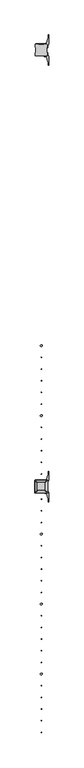
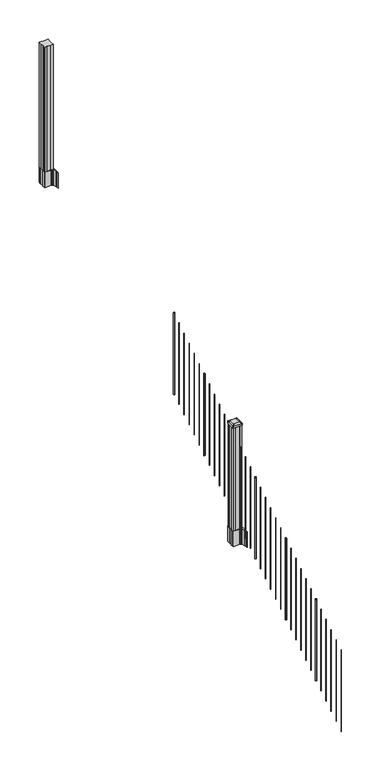
"""IFC4 building model written with IfcOpenShell, lengths in millimetres: railing geometry."""

from ifc_helpers import new_model, si_unit, point, frame, frame_2d, origin, place, context, project, spatial, polyline, circle_curve, trimmed, segment, composite_curve, outline, extrude, source, transform, mapped, element, save
from ifc_brep_helpers import plane_surface, extruded_surface, advanced_brep


def railing_0a5798a5(model_context):
    return source(origin(), model_context, "Body", "SolidModel", [
        extrude(outline(composite_curve([segment(trimmed(circle_curve(frame_2d((5940.4657728, -84632.7128453)), 6.35), [point((5934.1157728, -84632.7128453))], [point((5940.4657728, -84626.3628453))], False, "CARTESIAN"), True, "CONTINUOUS"), segment(trimmed(circle_curve(frame_2d((5940.4657728, -84632.7128453)), 6.35), [point((5940.4657728, -84626.3628453))], [point((5946.8157728, -84632.7128453))], False, "CARTESIAN"), True, "CONTINUOUS"), segment(trimmed(circle_curve(frame_2d((5940.4657728, -84632.7128453)), 6.35), [point((5946.8157728, -84632.7128453))], [point((5940.4657728, -84639.0628453))], False, "CARTESIAN"), True, "CONTINUOUS"), segment(trimmed(circle_curve(frame_2d((5940.4657728, -84632.7128453)), 6.35), [point((5940.4657728, -84639.0628453))], [point((5934.1157728, -84632.7128453))], False, "CARTESIAN"), True, "CONTINUOUS")], self_intersect=False)), frame((0.0, 0.0, 2058.1896281), z_axis=(0.0, 0.0, 1.0), x_axis=(1.0, 0.0, 0.0)), (0.0, 0.0, 1.0), 812.8041219),
        extrude(outline(composite_curve([segment(trimmed(circle_curve(frame_2d((5940.4657728, -84715.2628453)), 1.5875), [point((5938.8782728, -84715.2628453))], [point((5940.4657728, -84713.6753453))], False, "CARTESIAN"), True, "CONTINUOUS"), segment(trimmed(circle_curve(frame_2d((5940.4657728, -84715.2628453)), 1.5875), [point((5940.4657728, -84713.6753453))], [point((5942.0532728, -84715.2628453))], False, "CARTESIAN"), True, "CONTINUOUS"), segment(trimmed(circle_curve(frame_2d((5940.4657728, -84715.2628453)), 1.5875), [point((5942.0532728, -84715.2628453))], [point((5940.4657728, -84716.8503453))], False, "CARTESIAN"), True, "CONTINUOUS"), segment(trimmed(circle_curve(frame_2d((5940.4657728, -84715.2628453)), 1.5875), [point((5940.4657728, -84716.8503453))], [point((5938.8782728, -84715.2628453))], False, "CARTESIAN"), True, "CONTINUOUS")], self_intersect=False)), frame((0.0, 0.0, 2006.5958781), z_axis=(0.0, 0.0, 1.0), x_axis=(1.0, 0.0, 0.0)), (0.0, 0.0, 1.0), 812.8041219),
        extrude(outline(composite_curve([segment(trimmed(circle_curve(frame_2d((5940.4657728, -84797.8128453)), 1.5875), [point((5938.8782728, -84797.8128453))], [point((5940.4657728, -84796.2253453))], False, "CARTESIAN"), True, "CONTINUOUS"), segment(trimmed(circle_curve(frame_2d((5940.4657728, -84797.8128453)), 1.5875), [point((5940.4657728, -84796.2253453))], [point((5942.0532728, -84797.8128453))], False, "CARTESIAN"), True, "CONTINUOUS"), segment(trimmed(circle_curve(frame_2d((5940.4657728, -84797.8128453)), 1.5875), [point((5942.0532728, -84797.8128453))], [point((5940.4657728, -84799.4003453))], False, "CARTESIAN"), True, "CONTINUOUS"), segment(trimmed(circle_curve(frame_2d((5940.4657728, -84797.8128453)), 1.5875), [point((5940.4657728, -84799.4003453))], [point((5938.8782728, -84797.8128453))], False, "CARTESIAN"), True, "CONTINUOUS")], self_intersect=False)), frame((0.0, 0.0, 1955.0021281), z_axis=(0.0, 0.0, 1.0), x_axis=(1.0, 0.0, 0.0)), (0.0, 0.0, 1.0), 812.8041219),
        extrude(outline(composite_curve([segment(trimmed(circle_curve(frame_2d((5940.4657728, -84880.3628453)), 1.5875), [point((5938.8782728, -84880.3628453))], [point((5940.4657728, -84878.7753453))], False, "CARTESIAN"), True, "CONTINUOUS"), segment(trimmed(circle_curve(frame_2d((5940.4657728, -84880.3628453)), 1.5875), [point((5940.4657728, -84878.7753453))], [point((5942.0532728, -84880.3628453))], False, "CARTESIAN"), True, "CONTINUOUS"), segment(trimmed(circle_curve(frame_2d((5940.4657728, -84880.3628453)), 1.5875), [point((5942.0532728, -84880.3628453))], [point((5940.4657728, -84881.9503453))], False, "CARTESIAN"), True, "CONTINUOUS"), segment(trimmed(circle_curve(frame_2d((5940.4657728, -84880.3628453)), 1.5875), [point((5940.4657728, -84881.9503453))], [point((5938.8782728, -84880.3628453))], False, "CARTESIAN"), True, "CONTINUOUS")], self_intersect=False)), frame((0.0, 0.0, 1903.4083781), z_axis=(0.0, 0.0, 1.0), x_axis=(1.0, 0.0, 0.0)), (0.0, 0.0, 1.0), 812.8041219),
        extrude(outline(composite_curve([segment(trimmed(circle_curve(frame_2d((5940.4657728, -84962.9128453)), 1.5875), [point((5938.8782728, -84962.9128453))], [point((5940.4657728, -84961.3253453))], False, "CARTESIAN"), True, "CONTINUOUS"), segment(trimmed(circle_curve(frame_2d((5940.4657728, -84962.9128453)), 1.5875), [point((5940.4657728, -84961.3253453))], [point((5942.0532728, -84962.9128453))], False, "CARTESIAN"), True, "CONTINUOUS"), segment(trimmed(circle_curve(frame_2d((5940.4657728, -84962.9128453)), 1.5875), [point((5942.0532728, -84962.9128453))], [point((5940.4657728, -84964.5003453))], False, "CARTESIAN"), True, "CONTINUOUS"), segment(trimmed(circle_curve(frame_2d((5940.4657728, -84962.9128453)), 1.5875), [point((5940.4657728, -84964.5003453))], [point((5938.8782728, -84962.9128453))], False, "CARTESIAN"), True, "CONTINUOUS")], self_intersect=False)), frame((0.0, 0.0, 1851.8146281), z_axis=(0.0, 0.0, 1.0), x_axis=(1.0, 0.0, 0.0)), (0.0, 0.0, 1.0), 812.8041219),
        extrude(outline(composite_curve([segment(trimmed(circle_curve(frame_2d((5940.4657728, -85045.4628453)), 1.5875), [point((5938.8782728, -85045.4628453))], [point((5940.4657728, -85043.8753453))], False, "CARTESIAN"), True, "CONTINUOUS"), segment(trimmed(circle_curve(frame_2d((5940.4657728, -85045.4628453)), 1.5875), [point((5940.4657728, -85043.8753453))], [point((5942.0532728, -85045.4628453))], False, "CARTESIAN"), True, "CONTINUOUS"), segment(trimmed(circle_curve(frame_2d((5940.4657728, -85045.4628453)), 1.5875), [point((5942.0532728, -85045.4628453))], [point((5940.4657728, -85047.0503453))], False, "CARTESIAN"), True, "CONTINUOUS"), segment(trimmed(circle_curve(frame_2d((5940.4657728, -85045.4628453)), 1.5875), [point((5940.4657728, -85047.0503453))], [point((5938.8782728, -85045.4628453))], False, "CARTESIAN"), True, "CONTINUOUS")], self_intersect=False)), frame((0.0, 0.0, 1800.2208781), z_axis=(0.0, 0.0, 1.0), x_axis=(1.0, 0.0, 0.0)), (0.0, 0.0, 1.0), 812.8041219),
        extrude(outline(composite_curve([segment(trimmed(circle_curve(frame_2d((5940.4657728, -85128.0128453)), 6.35), [point((5934.1157728, -85128.0128453))], [point((5940.4657728, -85121.6628453))], False, "CARTESIAN"), True, "CONTINUOUS"), segment(trimmed(circle_curve(frame_2d((5940.4657728, -85128.0128453)), 6.35), [point((5940.4657728, -85121.6628453))], [point((5946.8157728, -85128.0128453))], False, "CARTESIAN"), True, "CONTINUOUS"), segment(trimmed(circle_curve(frame_2d((5940.4657728, -85128.0128453)), 6.35), [point((5946.8157728, -85128.0128453))], [point((5940.4657728, -85134.3628453))], False, "CARTESIAN"), True, "CONTINUOUS"), segment(trimmed(circle_curve(frame_2d((5940.4657728, -85128.0128453)), 6.35), [point((5940.4657728, -85134.3628453))], [point((5934.1157728, -85128.0128453))], False, "CARTESIAN"), True, "CONTINUOUS")], self_intersect=False)), frame((0.0, 0.0, 1748.6271281), z_axis=(0.0, 0.0, 1.0), x_axis=(1.0, 0.0, 0.0)), (0.0, 0.0, 1.0), 812.8041219),
        extrude(outline(composite_curve([segment(trimmed(circle_curve(frame_2d((5940.4657728, -85210.5628453)), 1.5875), [point((5938.8782728, -85210.5628453))], [point((5940.4657728, -85208.9753453))], False, "CARTESIAN"), True, "CONTINUOUS"), segment(trimmed(circle_curve(frame_2d((5940.4657728, -85210.5628453)), 1.5875), [point((5940.4657728, -85208.9753453))], [point((5942.0532728, -85210.5628453))], False, "CARTESIAN"), True, "CONTINUOUS"), segment(trimmed(circle_curve(frame_2d((5940.4657728, -85210.5628453)), 1.5875), [point((5942.0532728, -85210.5628453))], [point((5940.4657728, -85212.1503453))], False, "CARTESIAN"), True, "CONTINUOUS"), segment(trimmed(circle_curve(frame_2d((5940.4657728, -85210.5628453)), 1.5875), [point((5940.4657728, -85212.1503453))], [point((5938.8782728, -85210.5628453))], False, "CARTESIAN"), True, "CONTINUOUS")], self_intersect=False)), frame((0.0, 0.0, 1697.0333781), z_axis=(0.0, 0.0, 1.0), x_axis=(1.0, 0.0, 0.0)), (0.0, 0.0, 1.0), 812.8041219),
        extrude(outline(composite_curve([segment(trimmed(circle_curve(frame_2d((5940.4657728, -85293.1128453)), 1.5875), [point((5938.8782728, -85293.1128453))], [point((5940.4657728, -85291.5253453))], False, "CARTESIAN"), True, "CONTINUOUS"), segment(trimmed(circle_curve(frame_2d((5940.4657728, -85293.1128453)), 1.5875), [point((5940.4657728, -85291.5253453))], [point((5942.0532728, -85293.1128453))], False, "CARTESIAN"), True, "CONTINUOUS"), segment(trimmed(circle_curve(frame_2d((5940.4657728, -85293.1128453)), 1.5875), [point((5942.0532728, -85293.1128453))], [point((5940.4657728, -85294.7003453))], False, "CARTESIAN"), True, "CONTINUOUS"), segment(trimmed(circle_curve(frame_2d((5940.4657728, -85293.1128453)), 1.5875), [point((5940.4657728, -85294.7003453))], [point((5938.8782728, -85293.1128453))], False, "CARTESIAN"), True, "CONTINUOUS")], self_intersect=False)), frame((0.0, 0.0, 1645.4396281), z_axis=(0.0, 0.0, 1.0), x_axis=(1.0, 0.0, 0.0)), (0.0, 0.0, 1.0), 812.8041219),
        extrude(outline(composite_curve([segment(trimmed(circle_curve(frame_2d((5940.4657728, -85375.6628453)), 1.5875), [point((5938.8782728, -85375.6628453))], [point((5940.4657728, -85374.0753453))], False, "CARTESIAN"), True, "CONTINUOUS"), segment(trimmed(circle_curve(frame_2d((5940.4657728, -85375.6628453)), 1.5875), [point((5940.4657728, -85374.0753453))], [point((5942.0532728, -85375.6628453))], False, "CARTESIAN"), True, "CONTINUOUS"), segment(trimmed(circle_curve(frame_2d((5940.4657728, -85375.6628453)), 1.5875), [point((5942.0532728, -85375.6628453))], [point((5940.4657728, -85377.2503453))], False, "CARTESIAN"), True, "CONTINUOUS"), segment(trimmed(circle_curve(frame_2d((5940.4657728, -85375.6628453)), 1.5875), [point((5940.4657728, -85377.2503453))], [point((5938.8782728, -85375.6628453))], False, "CARTESIAN"), True, "CONTINUOUS")], self_intersect=False)), frame((0.0, 0.0, 1593.8458781), z_axis=(0.0, 0.0, 1.0), x_axis=(1.0, 0.0, 0.0)), (0.0, 0.0, 1.0), 812.8041219),
        extrude(outline(composite_curve([segment(trimmed(circle_curve(frame_2d((5940.4657728, -85458.2128453)), 1.5875), [point((5938.8782728, -85458.2128453))], [point((5940.4657728, -85456.6253453))], False, "CARTESIAN"), True, "CONTINUOUS"), segment(trimmed(circle_curve(frame_2d((5940.4657728, -85458.2128453)), 1.5875), [point((5940.4657728, -85456.6253453))], [point((5942.0532728, -85458.2128453))], False, "CARTESIAN"), True, "CONTINUOUS"), segment(trimmed(circle_curve(frame_2d((5940.4657728, -85458.2128453)), 1.5875), [point((5942.0532728, -85458.2128453))], [point((5940.4657728, -85459.8003453))], False, "CARTESIAN"), True, "CONTINUOUS"), segment(trimmed(circle_curve(frame_2d((5940.4657728, -85458.2128453)), 1.5875), [point((5940.4657728, -85459.8003453))], [point((5938.8782728, -85458.2128453))], False, "CARTESIAN"), True, "CONTINUOUS")], self_intersect=False)), frame((0.0, 0.0, 1542.2521281), z_axis=(0.0, 0.0, 1.0), x_axis=(1.0, 0.0, 0.0)), (0.0, 0.0, 1.0), 812.8041219),
        extrude(outline(composite_curve([segment(trimmed(circle_curve(frame_2d((5940.4657728, -85540.7628453)), 1.5875), [point((5938.8782728, -85540.7628453))], [point((5940.4657728, -85539.1753453))], False, "CARTESIAN"), True, "CONTINUOUS"), segment(trimmed(circle_curve(frame_2d((5940.4657728, -85540.7628453)), 1.5875), [point((5940.4657728, -85539.1753453))], [point((5942.0532728, -85540.7628453))], False, "CARTESIAN"), True, "CONTINUOUS"), segment(trimmed(circle_curve(frame_2d((5940.4657728, -85540.7628453)), 1.5875), [point((5942.0532728, -85540.7628453))], [point((5940.4657728, -85542.3503453))], False, "CARTESIAN"), True, "CONTINUOUS"), segment(trimmed(circle_curve(frame_2d((5940.4657728, -85540.7628453)), 1.5875), [point((5940.4657728, -85542.3503453))], [point((5938.8782728, -85540.7628453))], False, "CARTESIAN"), True, "CONTINUOUS")], self_intersect=False)), frame((0.0, 0.0, 1490.6583781), z_axis=(0.0, 0.0, 1.0), x_axis=(1.0, 0.0, 0.0)), (0.0, 0.0, 1.0), 812.8041219),
        extrude(outline(composite_curve([segment(polyline([(5897.7302728, -85647.0489401), (5897.7302728, -85612.2767504), (5896.1427728, -85611.5147504), (5896.1427728, -85588.7128224), (5899.5157498, -85585.3398453), (5960.9754206, -85585.3398453), (5960.9754206, -85584.4190953), (5966.2929645, -85584.4190953), (5966.2929645, -85582.9648406), (5971.3774942, -85582.9648406), (5971.3774942, -85581.6808168), (5973.0447665, -85581.6808168)]), True, "CONTINUOUS"), segment(trimmed(circle_curve(frame_2d((5973.0447665, -85574.6213569)), 7.0594599), [point((5973.0447665, -85581.6808168))], [point((5979.8120293, -85576.6313636))], True, "CARTESIAN"), True, "CONTINUOUS"), segment(polyline([(5979.8120293, -85576.6313636), (5987.6862236, -85550.1206345)]), True, "CONTINUOUS"), segment(trimmed(circle_curve(frame_2d((5932.9017103, -85533.8485848)), 57.15), [point((5987.6862236, -85550.1206345))], [point((5990.0517103, -85533.8485848))], True, "CARTESIAN"), True, "CONTINUOUS"), segment(polyline([(5990.0517103, -85533.8485848), (5990.0517103, -85521.8398453), (5993.0517103, -85521.8398453), (5993.0517103, -85586.9273453), (5984.7887728, -85598.2656366), (5984.7887728, -85611.5147504), (5983.2012728, -85612.2767504), (5983.2012728, -85647.0489401), (5984.7887728, -85647.8109401), (5984.7887728, -85661.060054), (5993.0517103, -85672.3983453), (5993.0517103, -85737.4858453), (5990.0517103, -85737.4858453), (5990.0517103, -85725.4771057)]), True, "CONTINUOUS"), segment(trimmed(circle_curve(frame_2d((5932.9017103, -85725.4771057)), 57.15), [point((5990.0517103, -85725.4771057))], [point((5987.6862236, -85709.2050561))], True, "CARTESIAN"), True, "CONTINUOUS"), segment(polyline([(5987.6862236, -85709.2050561), (5979.8120293, -85682.694327)]), True, "CONTINUOUS"), segment(trimmed(circle_curve(frame_2d((5973.0447665, -85684.7043337)), 7.0594599), [point((5979.8120293, -85682.694327))], [point((5973.0447665, -85677.6448738))], True, "CARTESIAN"), True, "CONTINUOUS"), segment(polyline([(5973.0447665, -85677.6448738), (5971.3774942, -85677.6448738), (5971.3774942, -85676.36085), (5966.2929645, -85676.36085), (5966.2929645, -85674.9065953), (5960.9754206, -85674.9065953), (5960.9754206, -85673.9858453), (5899.5157498, -85673.9858453), (5896.1427728, -85670.6128682), (5896.1427728, -85647.8109401), (5897.7302728, -85647.0489401)]), True, "CONTINUOUS")], self_intersect=False), holes=[polyline([(5981.7407728, -85589.9753453), (5980.1532728, -85588.3878453), (5943.2289902, -85588.3878453), (5900.7782728, -85588.3878453), (5899.1907728, -85589.9753453), (5899.1907728, -85669.3503453), (5900.7782728, -85670.9378453), (5943.2289902, -85670.9378453), (5980.1532728, -85670.9378453), (5981.7407728, -85669.3503453), (5981.7407728, -85589.9753453)])]), frame((0.0, 0.0, 1181.1), z_axis=(0.0, 0.0, 1.0), x_axis=(1.0, 0.0, 0.0)), (0.0, 0.0, 1.0), 152.4),
        advanced_brep(
        [(5966.2626478, -85658.6347203, 2393.439263), (5969.4376478, -85655.4597203, 2393.439263), (5969.4376478, -85603.8659703, 2393.439263), (5966.2626478, -85600.6909703, 2393.439263), (5914.6688978, -85600.6909703, 2393.439263), (5911.4938978, -85603.8659703, 2393.439263), (5911.4938978, -85655.4597203, 2393.439263), (5914.6688978, -85658.6347203, 2393.439263), (5982.5345228, -85674.9065953, 2382.136263), (5898.3970228, -85674.9065953, 2382.136263), (5895.2220228, -85671.7315953, 2382.136263), (5895.2220228, -85587.5940953, 2382.136263), (5898.3970228, -85584.4190953, 2382.136263), (5982.5345228, -85584.4190953, 2382.136263), (5985.7095228, -85587.5940953, 2382.136263), (5985.7095228, -85671.7315953, 2382.136263)],
        [
            (0, 1, circle_curve(frame((5966.2626478, -85655.4597203, 2393.439263), z_axis=(0.0, 0.0, 1.0), x_axis=(0.0, 1.0, 0.0)), 3.175)),
            (1, 2),
            (2, 3, circle_curve(frame((5966.2626478, -85603.8659703, 2393.439263), z_axis=(0.0, 0.0, 1.0), x_axis=(0.0, 1.0, 0.0)), 3.175)),
            (3, 4),
            (4, 5, circle_curve(frame((5914.6688978, -85603.8659703, 2393.439263), z_axis=(0.0, 0.0, 1.0), x_axis=(0.0, 1.0, 0.0)), 3.175)),
            (5, 6),
            (6, 7, circle_curve(frame((5914.6688978, -85655.4597203, 2393.439263), z_axis=(0.0, 0.0, 1.0), x_axis=(0.0, 1.0, 0.0)), 3.175)),
            (7, 0),
            (8, 9),
            (9, 10, circle_curve(frame((5898.3970228, -85671.7315953, 2382.136263), z_axis=(0.0, 0.0, -1.0), x_axis=(0.0, 1.0, 0.0)), 3.175)),
            (10, 11),
            (11, 12, circle_curve(frame((5898.3970228, -85587.5940953, 2382.136263), z_axis=(0.0, 0.0, -1.0), x_axis=(0.0, 1.0, 0.0)), 3.175)),
            (12, 13),
            (13, 14, circle_curve(frame((5982.5345228, -85587.5940953, 2382.136263), z_axis=(0.0, 0.0, -1.0), x_axis=(0.0, 1.0, 0.0)), 3.175)),
            (14, 15),
            (15, 8, circle_curve(frame((5982.5345228, -85671.7315953, 2382.136263), z_axis=(0.0, 0.0, -1.0), x_axis=(0.0, 1.0, 0.0)), 3.175)),
            (15, 1),
            (0, 8),
            (14, 2),
            (13, 3),
            (12, 4),
            (11, 5),
            (10, 6),
            (9, 7),
        ],
        [
            plane_surface(frame((5940.4657728, -85629.6628453, 2393.439263), z_axis=(0.0, 0.0, 1.0), x_axis=(1.0, 0.0, 0.0))),
            plane_surface(frame((5940.4657728, -85629.6628453, 2382.136263), z_axis=(0.0, 0.0, -1.0), x_axis=(1.0, 0.0, 0.0))),
            extruded_surface(trimmed(circle_curve(frame((5982.5345228, -85671.7315953, 2382.136263), z_axis=(0.0, 0.0, 1.0), x_axis=(0.0, 1.0, 0.0)), 3.175), [point((5982.5345228, -85674.9065953, 2382.136263))], [point((5985.7095228, -85671.7315953, 2382.136263))], True, "CARTESIAN"), (-16.271874999999454, 16.27187500000582, 11.303000000000338), 25.63797263886966),
            plane_surface(frame((5985.7095228, -85629.6628453, 2382.136263), z_axis=(0.5705009161540778, 0.0, 0.8212969649690408), x_axis=(0.0, 1.0, 0.0))),
            extruded_surface(trimmed(circle_curve(frame((5982.5345228, -85587.5940953, 2382.136263), z_axis=(0.0, 0.0, 1.0), x_axis=(0.0, 1.0, 0.0)), 3.175), [point((5985.7095228, -85587.5940953, 2382.136263))], [point((5982.5345228, -85584.4190953, 2382.136263))], True, "CARTESIAN"), (-16.271874999999454, -16.27187500000582, 11.303000000000338), 25.63797263886966),
            plane_surface(frame((5940.4657728, -85584.4190953, 2382.136263), z_axis=(0.0, 0.5705009161540291, 0.8212969649690747), x_axis=(-1.0, 0.0, 0.0))),
            extruded_surface(trimmed(circle_curve(frame((5898.3970228, -85587.5940953, 2382.136263), z_axis=(0.0, 0.0, 1.0), x_axis=(0.0, 1.0, 0.0)), 3.175), [point((5898.3970228, -85584.4190953, 2382.136263))], [point((5895.2220228, -85587.5940953, 2382.136263))], True, "CARTESIAN"), (16.271875000000364, -16.27187500000582, 11.303000000000338), 25.637972638870238),
            plane_surface(frame((5895.2220228, -85629.6628453, 2382.136263), z_axis=(-0.5705009161540142, 0.0, 0.8212969649690851), x_axis=(0.0, -1.0, 0.0))),
            extruded_surface(trimmed(circle_curve(frame((5898.3970228, -85671.7315953, 2382.136263), z_axis=(0.0, 0.0, 1.0), x_axis=(0.0, 1.0, 0.0)), 3.175), [point((5895.2220228, -85671.7315953, 2382.136263))], [point((5898.3970228, -85674.9065953, 2382.136263))], True, "CARTESIAN"), (16.271875000000364, 16.27187500000582, 11.303000000000338), 25.637972638870238),
            plane_surface(frame((5940.4657728, -85674.9065953, 2382.136263), z_axis=(0.0, -0.570500916154034, 0.8212969649690713), x_axis=(1.0, 0.0, 0.0))),
        ],
        [
            (0, [[1, 2, 3, 4, 5, 6, 7, 8]]),
            (1, [[9, 10, 11, 12, 13, 14, 15, 16]]),
            (2, [[-16, 17, -1, 18]]),
            (3, [[-15, 19, -2, -17]]),
            (4, [[-14, 20, -3, -19]]),
            (5, [[-13, 21, -4, -20]]),
            (6, [[-12, 22, -5, -21]]),
            (7, [[-11, 23, -6, -22]]),
            (8, [[-10, 24, -7, -23]]),
            (9, [[-9, -18, -8, -24]]),
        ],
    ),
        extrude(outline(composite_curve([segment(polyline([(5982.5345228, -85674.9065953), (5898.3970228, -85674.9065953)]), True, "CONTINUOUS"), segment(trimmed(circle_curve(frame_2d((5898.3970228, -85671.7315953)), 3.175), [point((5898.3970228, -85674.9065953))], [point((5895.2220228, -85671.7315953))], False, "CARTESIAN"), True, "CONTINUOUS"), segment(polyline([(5895.2220228, -85671.7315953), (5895.2220228, -85587.5940953)]), True, "CONTINUOUS"), segment(trimmed(circle_curve(frame_2d((5898.3970228, -85587.5940953)), 3.175), [point((5895.2220228, -85587.5940953))], [point((5898.3970228, -85584.4190953))], False, "CARTESIAN"), True, "CONTINUOUS"), segment(polyline([(5898.3970228, -85584.4190953), (5982.5345228, -85584.4190953)]), True, "CONTINUOUS"), segment(trimmed(circle_curve(frame_2d((5982.5345228, -85587.5940953)), 3.175), [point((5982.5345228, -85584.4190953))], [point((5985.7095228, -85587.5940953))], False, "CARTESIAN"), True, "CONTINUOUS"), segment(polyline([(5985.7095228, -85587.5940953), (5985.7095228, -85671.7315953)]), True, "CONTINUOUS"), segment(trimmed(circle_curve(frame_2d((5982.5345228, -85671.7315953)), 3.175), [point((5985.7095228, -85671.7315953))], [point((5982.5345228, -85674.9065953))], False, "CARTESIAN"), True, "CONTINUOUS")], self_intersect=False)), frame((0.0, 0.0, 2364.864263), z_axis=(0.0, 0.0, 1.0), x_axis=(1.0, 0.0, 0.0)), (0.0, 0.0, 1.0), 17.272),
        extrude(outline(polyline([(5980.1532728, -85670.9378453), (5960.5317728, -85670.9378453), (5959.7697728, -85669.3503453), (5921.1617728, -85669.3503453), (5920.3997728, -85670.9378453), (5900.7782728, -85670.9378453), (5899.1907728, -85669.3503453), (5899.1907728, -85649.7288453), (5900.7782728, -85648.9668453), (5900.7782728, -85610.3588453), (5899.1907728, -85609.5968453), (5899.1907728, -85589.9753453), (5900.7782728, -85588.3878453), (5920.3997728, -85588.3878453), (5921.1617728, -85589.9753453), (5959.7697728, -85589.9753453), (5960.5317728, -85588.3878453), (5980.1532728, -85588.3878453), (5981.7407728, -85589.9753453), (5981.7407728, -85609.5968453), (5980.1532728, -85610.3588453), (5980.1532728, -85648.9668453), (5981.7407728, -85649.7288453), (5981.7407728, -85669.3503453), (5980.1532728, -85670.9378453)])), frame((0.0, 0.0, 1333.5), z_axis=(0.0, 0.0, 1.0), x_axis=(1.0, 0.0, 0.0)), (0.0, 0.0, 1.0), 1031.364263),
        extrude(outline(composite_curve([segment(trimmed(circle_curve(frame_2d((5940.4657728, -85718.5628453)), 1.5875), [point((5938.8782728, -85718.5628453))], [point((5940.4657728, -85716.9753453))], False, "CARTESIAN"), True, "CONTINUOUS"), segment(trimmed(circle_curve(frame_2d((5940.4657728, -85718.5628453)), 1.5875), [point((5940.4657728, -85716.9753453))], [point((5942.0532728, -85718.5628453))], False, "CARTESIAN"), True, "CONTINUOUS"), segment(trimmed(circle_curve(frame_2d((5940.4657728, -85718.5628453)), 1.5875), [point((5942.0532728, -85718.5628453))], [point((5940.4657728, -85720.1503453))], False, "CARTESIAN"), True, "CONTINUOUS"), segment(trimmed(circle_curve(frame_2d((5940.4657728, -85718.5628453)), 1.5875), [point((5940.4657728, -85720.1503453))], [point((5938.8782728, -85718.5628453))], False, "CARTESIAN"), True, "CONTINUOUS")], self_intersect=False)), frame((0.0, 0.0, 1379.5333781), z_axis=(0.0, 0.0, 1.0), x_axis=(1.0, 0.0, 0.0)), (0.0, 0.0, 1.0), 812.8041219),
        extrude(outline(composite_curve([segment(trimmed(circle_curve(frame_2d((5940.4657728, -85801.1128453)), 1.5875), [point((5938.8782728, -85801.1128453))], [point((5940.4657728, -85799.5253453))], False, "CARTESIAN"), True, "CONTINUOUS"), segment(trimmed(circle_curve(frame_2d((5940.4657728, -85801.1128453)), 1.5875), [point((5940.4657728, -85799.5253453))], [point((5942.0532728, -85801.1128453))], False, "CARTESIAN"), True, "CONTINUOUS"), segment(trimmed(circle_curve(frame_2d((5940.4657728, -85801.1128453)), 1.5875), [point((5942.0532728, -85801.1128453))], [point((5940.4657728, -85802.7003453))], False, "CARTESIAN"), True, "CONTINUOUS"), segment(trimmed(circle_curve(frame_2d((5940.4657728, -85801.1128453)), 1.5875), [point((5940.4657728, -85802.7003453))], [point((5938.8782728, -85801.1128453))], False, "CARTESIAN"), True, "CONTINUOUS")], self_intersect=False)), frame((0.0, 0.0, 1327.9396281), z_axis=(0.0, 0.0, 1.0), x_axis=(1.0, 0.0, 0.0)), (0.0, 0.0, 1.0), 812.8041219),
        extrude(outline(composite_curve([segment(trimmed(circle_curve(frame_2d((5940.4657728, -85883.6628453)), 1.5875), [point((5938.8782728, -85883.6628453))], [point((5940.4657728, -85882.0753453))], False, "CARTESIAN"), True, "CONTINUOUS"), segment(trimmed(circle_curve(frame_2d((5940.4657728, -85883.6628453)), 1.5875), [point((5940.4657728, -85882.0753453))], [point((5942.0532728, -85883.6628453))], False, "CARTESIAN"), True, "CONTINUOUS"), segment(trimmed(circle_curve(frame_2d((5940.4657728, -85883.6628453)), 1.5875), [point((5942.0532728, -85883.6628453))], [point((5940.4657728, -85885.2503453))], False, "CARTESIAN"), True, "CONTINUOUS"), segment(trimmed(circle_curve(frame_2d((5940.4657728, -85883.6628453)), 1.5875), [point((5940.4657728, -85885.2503453))], [point((5938.8782728, -85883.6628453))], False, "CARTESIAN"), True, "CONTINUOUS")], self_intersect=False)), frame((0.0, 0.0, 1276.3458781), z_axis=(0.0, 0.0, 1.0), x_axis=(1.0, 0.0, 0.0)), (0.0, 0.0, 1.0), 812.8041219),
        extrude(outline(composite_curve([segment(trimmed(circle_curve(frame_2d((5940.4657728, -85966.2128453)), 6.35), [point((5934.1157728, -85966.2128453))], [point((5940.4657728, -85959.8628453))], False, "CARTESIAN"), True, "CONTINUOUS"), segment(trimmed(circle_curve(frame_2d((5940.4657728, -85966.2128453)), 6.35), [point((5940.4657728, -85959.8628453))], [point((5946.8157728, -85966.2128453))], False, "CARTESIAN"), True, "CONTINUOUS"), segment(trimmed(circle_curve(frame_2d((5940.4657728, -85966.2128453)), 6.35), [point((5946.8157728, -85966.2128453))], [point((5940.4657728, -85972.5628453))], False, "CARTESIAN"), True, "CONTINUOUS"), segment(trimmed(circle_curve(frame_2d((5940.4657728, -85966.2128453)), 6.35), [point((5940.4657728, -85972.5628453))], [point((5934.1157728, -85966.2128453))], False, "CARTESIAN"), True, "CONTINUOUS")], self_intersect=False)), frame((0.0, 0.0, 1224.7521281), z_axis=(0.0, 0.0, 1.0), x_axis=(1.0, 0.0, 0.0)), (0.0, 0.0, 1.0), 812.8041219),
        extrude(outline(composite_curve([segment(trimmed(circle_curve(frame_2d((5940.4657728, -86048.7628453)), 1.5875), [point((5938.8782728, -86048.7628453))], [point((5940.4657728, -86047.1753453))], False, "CARTESIAN"), True, "CONTINUOUS"), segment(trimmed(circle_curve(frame_2d((5940.4657728, -86048.7628453)), 1.5875), [point((5940.4657728, -86047.1753453))], [point((5942.0532728, -86048.7628453))], False, "CARTESIAN"), True, "CONTINUOUS"), segment(trimmed(circle_curve(frame_2d((5940.4657728, -86048.7628453)), 1.5875), [point((5942.0532728, -86048.7628453))], [point((5940.4657728, -86050.3503453))], False, "CARTESIAN"), True, "CONTINUOUS"), segment(trimmed(circle_curve(frame_2d((5940.4657728, -86048.7628453)), 1.5875), [point((5940.4657728, -86050.3503453))], [point((5938.8782728, -86048.7628453))], False, "CARTESIAN"), True, "CONTINUOUS")], self_intersect=False)), frame((0.0, 0.0, 1173.1583781), z_axis=(0.0, 0.0, 1.0), x_axis=(1.0, 0.0, 0.0)), (0.0, 0.0, 1.0), 812.8041219),
        extrude(outline(composite_curve([segment(trimmed(circle_curve(frame_2d((5940.4657728, -86131.3128453)), 1.5875), [point((5938.8782728, -86131.3128453))], [point((5940.4657728, -86129.7253453))], False, "CARTESIAN"), True, "CONTINUOUS"), segment(trimmed(circle_curve(frame_2d((5940.4657728, -86131.3128453)), 1.5875), [point((5940.4657728, -86129.7253453))], [point((5942.0532728, -86131.3128453))], False, "CARTESIAN"), True, "CONTINUOUS"), segment(trimmed(circle_curve(frame_2d((5940.4657728, -86131.3128453)), 1.5875), [point((5942.0532728, -86131.3128453))], [point((5940.4657728, -86132.9003453))], False, "CARTESIAN"), True, "CONTINUOUS"), segment(trimmed(circle_curve(frame_2d((5940.4657728, -86131.3128453)), 1.5875), [point((5940.4657728, -86132.9003453))], [point((5938.8782728, -86131.3128453))], False, "CARTESIAN"), True, "CONTINUOUS")], self_intersect=False)), frame((0.0, 0.0, 1121.5646281), z_axis=(0.0, 0.0, 1.0), x_axis=(1.0, 0.0, 0.0)), (0.0, 0.0, 1.0), 812.8041219),
        extrude(outline(composite_curve([segment(trimmed(circle_curve(frame_2d((5940.4657728, -86213.8628453)), 1.5875), [point((5938.8782728, -86213.8628453))], [point((5940.4657728, -86212.2753453))], False, "CARTESIAN"), True, "CONTINUOUS"), segment(trimmed(circle_curve(frame_2d((5940.4657728, -86213.8628453)), 1.5875), [point((5940.4657728, -86212.2753453))], [point((5942.0532728, -86213.8628453))], False, "CARTESIAN"), True, "CONTINUOUS"), segment(trimmed(circle_curve(frame_2d((5940.4657728, -86213.8628453)), 1.5875), [point((5942.0532728, -86213.8628453))], [point((5940.4657728, -86215.4503453))], False, "CARTESIAN"), True, "CONTINUOUS"), segment(trimmed(circle_curve(frame_2d((5940.4657728, -86213.8628453)), 1.5875), [point((5940.4657728, -86215.4503453))], [point((5938.8782728, -86213.8628453))], False, "CARTESIAN"), True, "CONTINUOUS")], self_intersect=False)), frame((0.0, 0.0, 1069.9708781), z_axis=(0.0, 0.0, 1.0), x_axis=(1.0, 0.0, 0.0)), (0.0, 0.0, 1.0), 812.8041219),
        extrude(outline(composite_curve([segment(trimmed(circle_curve(frame_2d((5940.4657728, -86296.4128453)), 1.5875), [point((5938.8782728, -86296.4128453))], [point((5940.4657728, -86294.8253453))], False, "CARTESIAN"), True, "CONTINUOUS"), segment(trimmed(circle_curve(frame_2d((5940.4657728, -86296.4128453)), 1.5875), [point((5940.4657728, -86294.8253453))], [point((5942.0532728, -86296.4128453))], False, "CARTESIAN"), True, "CONTINUOUS"), segment(trimmed(circle_curve(frame_2d((5940.4657728, -86296.4128453)), 1.5875), [point((5942.0532728, -86296.4128453))], [point((5940.4657728, -86298.0003453))], False, "CARTESIAN"), True, "CONTINUOUS"), segment(trimmed(circle_curve(frame_2d((5940.4657728, -86296.4128453)), 1.5875), [point((5940.4657728, -86298.0003453))], [point((5938.8782728, -86296.4128453))], False, "CARTESIAN"), True, "CONTINUOUS")], self_intersect=False)), frame((0.0, 0.0, 1018.3771281), z_axis=(0.0, 0.0, 1.0), x_axis=(1.0, 0.0, 0.0)), (0.0, 0.0, 1.0), 812.8041219),
        extrude(outline(composite_curve([segment(trimmed(circle_curve(frame_2d((5940.4657728, -86378.9628453)), 1.5875), [point((5938.8782728, -86378.9628453))], [point((5940.4657728, -86377.3753453))], False, "CARTESIAN"), True, "CONTINUOUS"), segment(trimmed(circle_curve(frame_2d((5940.4657728, -86378.9628453)), 1.5875), [point((5940.4657728, -86377.3753453))], [point((5942.0532728, -86378.9628453))], False, "CARTESIAN"), True, "CONTINUOUS"), segment(trimmed(circle_curve(frame_2d((5940.4657728, -86378.9628453)), 1.5875), [point((5942.0532728, -86378.9628453))], [point((5940.4657728, -86380.5503453))], False, "CARTESIAN"), True, "CONTINUOUS"), segment(trimmed(circle_curve(frame_2d((5940.4657728, -86378.9628453)), 1.5875), [point((5940.4657728, -86380.5503453))], [point((5938.8782728, -86378.9628453))], False, "CARTESIAN"), True, "CONTINUOUS")], self_intersect=False)), frame((0.0, 0.0, 966.7833781), z_axis=(0.0, 0.0, 1.0), x_axis=(1.0, 0.0, 0.0)), (0.0, 0.0, 1.0), 812.8041219),
        extrude(outline(composite_curve([segment(trimmed(circle_curve(frame_2d((5940.4657728, -86461.5128453)), 6.35), [point((5934.1157728, -86461.5128453))], [point((5940.4657728, -86455.1628453))], False, "CARTESIAN"), True, "CONTINUOUS"), segment(trimmed(circle_curve(frame_2d((5940.4657728, -86461.5128453)), 6.35), [point((5940.4657728, -86455.1628453))], [point((5946.8157728, -86461.5128453))], False, "CARTESIAN"), True, "CONTINUOUS"), segment(trimmed(circle_curve(frame_2d((5940.4657728, -86461.5128453)), 6.35), [point((5946.8157728, -86461.5128453))], [point((5940.4657728, -86467.8628453))], False, "CARTESIAN"), True, "CONTINUOUS"), segment(trimmed(circle_curve(frame_2d((5940.4657728, -86461.5128453)), 6.35), [point((5940.4657728, -86467.8628453))], [point((5934.1157728, -86461.5128453))], False, "CARTESIAN"), True, "CONTINUOUS")], self_intersect=False)), frame((0.0, 0.0, 915.1896281), z_axis=(0.0, 0.0, 1.0), x_axis=(1.0, 0.0, 0.0)), (0.0, 0.0, 1.0), 812.8041219),
        extrude(outline(composite_curve([segment(trimmed(circle_curve(frame_2d((5940.4657728, -86544.0628453)), 1.5875), [point((5938.8782728, -86544.0628453))], [point((5940.4657728, -86542.4753453))], False, "CARTESIAN"), True, "CONTINUOUS"), segment(trimmed(circle_curve(frame_2d((5940.4657728, -86544.0628453)), 1.5875), [point((5940.4657728, -86542.4753453))], [point((5942.0532728, -86544.0628453))], False, "CARTESIAN"), True, "CONTINUOUS"), segment(trimmed(circle_curve(frame_2d((5940.4657728, -86544.0628453)), 1.5875), [point((5942.0532728, -86544.0628453))], [point((5940.4657728, -86545.6503453))], False, "CARTESIAN"), True, "CONTINUOUS"), segment(trimmed(circle_curve(frame_2d((5940.4657728, -86544.0628453)), 1.5875), [point((5940.4657728, -86545.6503453))], [point((5938.8782728, -86544.0628453))], False, "CARTESIAN"), True, "CONTINUOUS")], self_intersect=False)), frame((0.0, 0.0, 863.5958781), z_axis=(0.0, 0.0, 1.0), x_axis=(1.0, 0.0, 0.0)), (0.0, 0.0, 1.0), 812.8041219),
        extrude(outline(composite_curve([segment(trimmed(circle_curve(frame_2d((5940.4657728, -86626.6128453)), 1.5875), [point((5938.8782728, -86626.6128453))], [point((5940.4657728, -86625.0253453))], False, "CARTESIAN"), True, "CONTINUOUS"), segment(trimmed(circle_curve(frame_2d((5940.4657728, -86626.6128453)), 1.5875), [point((5940.4657728, -86625.0253453))], [point((5942.0532728, -86626.6128453))], False, "CARTESIAN"), True, "CONTINUOUS"), segment(trimmed(circle_curve(frame_2d((5940.4657728, -86626.6128453)), 1.5875), [point((5942.0532728, -86626.6128453))], [point((5940.4657728, -86628.2003453))], False, "CARTESIAN"), True, "CONTINUOUS"), segment(trimmed(circle_curve(frame_2d((5940.4657728, -86626.6128453)), 1.5875), [point((5940.4657728, -86628.2003453))], [point((5938.8782728, -86626.6128453))], False, "CARTESIAN"), True, "CONTINUOUS")], self_intersect=False)), frame((0.0, 0.0, 812.0021281), z_axis=(0.0, 0.0, 1.0), x_axis=(1.0, 0.0, 0.0)), (0.0, 0.0, 1.0), 812.8041219),
        extrude(outline(composite_curve([segment(trimmed(circle_curve(frame_2d((5940.4657728, -86709.1628453)), 1.5875), [point((5938.8782728, -86709.1628453))], [point((5940.4657728, -86707.5753453))], False, "CARTESIAN"), True, "CONTINUOUS"), segment(trimmed(circle_curve(frame_2d((5940.4657728, -86709.1628453)), 1.5875), [point((5940.4657728, -86707.5753453))], [point((5942.0532728, -86709.1628453))], False, "CARTESIAN"), True, "CONTINUOUS"), segment(trimmed(circle_curve(frame_2d((5940.4657728, -86709.1628453)), 1.5875), [point((5942.0532728, -86709.1628453))], [point((5940.4657728, -86710.7503453))], False, "CARTESIAN"), True, "CONTINUOUS"), segment(trimmed(circle_curve(frame_2d((5940.4657728, -86709.1628453)), 1.5875), [point((5940.4657728, -86710.7503453))], [point((5938.8782728, -86709.1628453))], False, "CARTESIAN"), True, "CONTINUOUS")], self_intersect=False)), frame((0.0, 0.0, 760.4083781), z_axis=(0.0, 0.0, 1.0), x_axis=(1.0, 0.0, 0.0)), (0.0, 0.0, 1.0), 812.8041219),
        extrude(outline(composite_curve([segment(trimmed(circle_curve(frame_2d((5940.4657728, -86791.7128453)), 1.5875), [point((5938.8782728, -86791.7128453))], [point((5940.4657728, -86790.1253453))], False, "CARTESIAN"), True, "CONTINUOUS"), segment(trimmed(circle_curve(frame_2d((5940.4657728, -86791.7128453)), 1.5875), [point((5940.4657728, -86790.1253453))], [point((5942.0532728, -86791.7128453))], False, "CARTESIAN"), True, "CONTINUOUS"), segment(trimmed(circle_curve(frame_2d((5940.4657728, -86791.7128453)), 1.5875), [point((5942.0532728, -86791.7128453))], [point((5940.4657728, -86793.3003453))], False, "CARTESIAN"), True, "CONTINUOUS"), segment(trimmed(circle_curve(frame_2d((5940.4657728, -86791.7128453)), 1.5875), [point((5940.4657728, -86793.3003453))], [point((5938.8782728, -86791.7128453))], False, "CARTESIAN"), True, "CONTINUOUS")], self_intersect=False)), frame((0.0, 0.0, 708.8146281), z_axis=(0.0, 0.0, 1.0), x_axis=(1.0, 0.0, 0.0)), (0.0, 0.0, 1.0), 812.8041219),
        extrude(outline(composite_curve([segment(trimmed(circle_curve(frame_2d((5940.4657728, -86874.2628453)), 1.5875), [point((5938.8782728, -86874.2628453))], [point((5940.4657728, -86872.6753453))], False, "CARTESIAN"), True, "CONTINUOUS"), segment(trimmed(circle_curve(frame_2d((5940.4657728, -86874.2628453)), 1.5875), [point((5940.4657728, -86872.6753453))], [point((5942.0532728, -86874.2628453))], False, "CARTESIAN"), True, "CONTINUOUS"), segment(trimmed(circle_curve(frame_2d((5940.4657728, -86874.2628453)), 1.5875), [point((5942.0532728, -86874.2628453))], [point((5940.4657728, -86875.8503453))], False, "CARTESIAN"), True, "CONTINUOUS"), segment(trimmed(circle_curve(frame_2d((5940.4657728, -86874.2628453)), 1.5875), [point((5940.4657728, -86875.8503453))], [point((5938.8782728, -86874.2628453))], False, "CARTESIAN"), True, "CONTINUOUS")], self_intersect=False)), frame((0.0, 0.0, 657.2208781), z_axis=(0.0, 0.0, 1.0), x_axis=(1.0, 0.0, 0.0)), (0.0, 0.0, 1.0), 812.8041219),
        extrude(outline(composite_curve([segment(trimmed(circle_curve(frame_2d((5940.4657728, -86956.8128453)), 6.35), [point((5934.1157728, -86956.8128453))], [point((5940.4657728, -86950.4628453))], False, "CARTESIAN"), True, "CONTINUOUS"), segment(trimmed(circle_curve(frame_2d((5940.4657728, -86956.8128453)), 6.35), [point((5940.4657728, -86950.4628453))], [point((5946.8157728, -86956.8128453))], False, "CARTESIAN"), True, "CONTINUOUS"), segment(trimmed(circle_curve(frame_2d((5940.4657728, -86956.8128453)), 6.35), [point((5946.8157728, -86956.8128453))], [point((5940.4657728, -86963.1628453))], False, "CARTESIAN"), True, "CONTINUOUS"), segment(trimmed(circle_curve(frame_2d((5940.4657728, -86956.8128453)), 6.35), [point((5940.4657728, -86963.1628453))], [point((5934.1157728, -86956.8128453))], False, "CARTESIAN"), True, "CONTINUOUS")], self_intersect=False)), frame((0.0, 0.0, 605.6271281), z_axis=(0.0, 0.0, 1.0), x_axis=(1.0, 0.0, 0.0)), (0.0, 0.0, 1.0), 812.8041219),
        extrude(outline(composite_curve([segment(trimmed(circle_curve(frame_2d((5940.4657728, -87039.3628453)), 1.5875), [point((5938.8782728, -87039.3628453))], [point((5940.4657728, -87037.7753453))], False, "CARTESIAN"), True, "CONTINUOUS"), segment(trimmed(circle_curve(frame_2d((5940.4657728, -87039.3628453)), 1.5875), [point((5940.4657728, -87037.7753453))], [point((5942.0532728, -87039.3628453))], False, "CARTESIAN"), True, "CONTINUOUS"), segment(trimmed(circle_curve(frame_2d((5940.4657728, -87039.3628453)), 1.5875), [point((5942.0532728, -87039.3628453))], [point((5940.4657728, -87040.9503453))], False, "CARTESIAN"), True, "CONTINUOUS"), segment(trimmed(circle_curve(frame_2d((5940.4657728, -87039.3628453)), 1.5875), [point((5940.4657728, -87040.9503453))], [point((5938.8782728, -87039.3628453))], False, "CARTESIAN"), True, "CONTINUOUS")], self_intersect=False)), frame((0.0, 0.0, 554.0333781), z_axis=(0.0, 0.0, 1.0), x_axis=(1.0, 0.0, 0.0)), (0.0, 0.0, 1.0), 812.8041219),
        extrude(outline(composite_curve([segment(trimmed(circle_curve(frame_2d((5940.4657728, -87121.9128453)), 1.5875), [point((5938.8782728, -87121.9128453))], [point((5940.4657728, -87120.3253453))], False, "CARTESIAN"), True, "CONTINUOUS"), segment(trimmed(circle_curve(frame_2d((5940.4657728, -87121.9128453)), 1.5875), [point((5940.4657728, -87120.3253453))], [point((5942.0532728, -87121.9128453))], False, "CARTESIAN"), True, "CONTINUOUS"), segment(trimmed(circle_curve(frame_2d((5940.4657728, -87121.9128453)), 1.5875), [point((5942.0532728, -87121.9128453))], [point((5940.4657728, -87123.5003453))], False, "CARTESIAN"), True, "CONTINUOUS"), segment(trimmed(circle_curve(frame_2d((5940.4657728, -87121.9128453)), 1.5875), [point((5940.4657728, -87123.5003453))], [point((5938.8782728, -87121.9128453))], False, "CARTESIAN"), True, "CONTINUOUS")], self_intersect=False)), frame((0.0, 0.0, 502.4396281), z_axis=(0.0, 0.0, 1.0), x_axis=(1.0, 0.0, 0.0)), (0.0, 0.0, 1.0), 812.8041219),
        extrude(outline(composite_curve([segment(trimmed(circle_curve(frame_2d((5940.4657728, -87204.4628453)), 1.5875), [point((5938.8782728, -87204.4628453))], [point((5940.4657728, -87202.8753453))], False, "CARTESIAN"), True, "CONTINUOUS"), segment(trimmed(circle_curve(frame_2d((5940.4657728, -87204.4628453)), 1.5875), [point((5940.4657728, -87202.8753453))], [point((5942.0532728, -87204.4628453))], False, "CARTESIAN"), True, "CONTINUOUS"), segment(trimmed(circle_curve(frame_2d((5940.4657728, -87204.4628453)), 1.5875), [point((5942.0532728, -87204.4628453))], [point((5940.4657728, -87206.0503453))], False, "CARTESIAN"), True, "CONTINUOUS"), segment(trimmed(circle_curve(frame_2d((5940.4657728, -87204.4628453)), 1.5875), [point((5940.4657728, -87206.0503453))], [point((5938.8782728, -87204.4628453))], False, "CARTESIAN"), True, "CONTINUOUS")], self_intersect=False)), frame((0.0, 0.0, 450.8458781), z_axis=(0.0, 0.0, 1.0), x_axis=(1.0, 0.0, 0.0)), (0.0, 0.0, 1.0), 812.8041219),
        extrude(outline(composite_curve([segment(trimmed(circle_curve(frame_2d((5940.4657728, -87287.0128453)), 1.5875), [point((5938.8782728, -87287.0128453))], [point((5940.4657728, -87285.4253453))], False, "CARTESIAN"), True, "CONTINUOUS"), segment(trimmed(circle_curve(frame_2d((5940.4657728, -87287.0128453)), 1.5875), [point((5940.4657728, -87285.4253453))], [point((5942.0532728, -87287.0128453))], False, "CARTESIAN"), True, "CONTINUOUS"), segment(trimmed(circle_curve(frame_2d((5940.4657728, -87287.0128453)), 1.5875), [point((5942.0532728, -87287.0128453))], [point((5940.4657728, -87288.6003453))], False, "CARTESIAN"), True, "CONTINUOUS"), segment(trimmed(circle_curve(frame_2d((5940.4657728, -87287.0128453)), 1.5875), [point((5940.4657728, -87288.6003453))], [point((5938.8782728, -87287.0128453))], False, "CARTESIAN"), True, "CONTINUOUS")], self_intersect=False)), frame((0.0, 0.0, 399.2521281), z_axis=(0.0, 0.0, 1.0), x_axis=(1.0, 0.0, 0.0)), (0.0, 0.0, 1.0), 812.8041219),
        extrude(outline(composite_curve([segment(trimmed(circle_curve(frame_2d((5940.4657728, -87369.5628453)), 1.5875), [point((5938.8782728, -87369.5628453))], [point((5940.4657728, -87367.9753453))], False, "CARTESIAN"), True, "CONTINUOUS"), segment(trimmed(circle_curve(frame_2d((5940.4657728, -87369.5628453)), 1.5875), [point((5940.4657728, -87367.9753453))], [point((5942.0532728, -87369.5628453))], False, "CARTESIAN"), True, "CONTINUOUS"), segment(trimmed(circle_curve(frame_2d((5940.4657728, -87369.5628453)), 1.5875), [point((5942.0532728, -87369.5628453))], [point((5940.4657728, -87371.1503453))], False, "CARTESIAN"), True, "CONTINUOUS"), segment(trimmed(circle_curve(frame_2d((5940.4657728, -87369.5628453)), 1.5875), [point((5940.4657728, -87371.1503453))], [point((5938.8782728, -87369.5628453))], False, "CARTESIAN"), True, "CONTINUOUS")], self_intersect=False)), frame((0.0, 0.0, 347.6583781), z_axis=(0.0, 0.0, 1.0), x_axis=(1.0, 0.0, 0.0)), (0.0, 0.0, 1.0), 812.8041219),
        extrude(outline(polyline([(5980.1532728, -82581.5358453), (5960.5317728, -82581.5358453), (5959.7697728, -82579.9483453), (5921.1617728, -82579.9483453), (5920.3997728, -82581.5358453), (5900.7782728, -82581.5358453), (5899.1907728, -82579.9483453), (5899.1907728, -82560.3268453), (5900.7782728, -82559.5648453), (5900.7782728, -82520.9568453), (5899.1907728, -82520.1948453), (5899.1907728, -82500.5733453), (5900.7782728, -82498.9858453), (5920.3997728, -82498.9858453), (5921.1617728, -82500.5733453), (5959.7697728, -82500.5733453), (5960.5317728, -82498.9858453), (5980.1532728, -82498.9858453), (5981.7407728, -82500.5733453), (5981.7407728, -82520.1948453), (5980.1532728, -82520.9568453), (5980.1532728, -82559.5648453), (5981.7407728, -82560.3268453), (5981.7407728, -82579.9483453), (5980.1532728, -82581.5358453)])), frame((0.0, 0.0, 3048.0), z_axis=(0.0, 0.0, 1.0), x_axis=(1.0, 0.0, 0.0)), (0.0, 0.0, 1.0), 1247.740513),
        extrude(outline(composite_curve([segment(polyline([(5897.7302728, -82557.6469401), (5897.7302728, -82522.8747504), (5896.1427728, -82522.1127504), (5896.1427728, -82499.3108224), (5899.5157498, -82495.9378453), (5960.9754206, -82495.9378453), (5960.9754206, -82495.0170953), (5966.2929645, -82495.0170953), (5966.2929645, -82493.5628406), (5971.3774942, -82493.5628406), (5971.3774942, -82492.2788168), (5973.0447665, -82492.2788168)]), True, "CONTINUOUS"), segment(trimmed(circle_curve(frame_2d((5973.0447665, -82485.2193569)), 7.0594599), [point((5973.0447665, -82492.2788168))], [point((5979.8120293, -82487.2293636))], True, "CARTESIAN"), True, "CONTINUOUS"), segment(polyline([(5979.8120293, -82487.2293636), (5987.6862236, -82460.7186345)]), True, "CONTINUOUS"), segment(trimmed(circle_curve(frame_2d((5932.9017103, -82444.4465848)), 57.15), [point((5987.6862236, -82460.7186345))], [point((5990.0517103, -82444.4465848))], True, "CARTESIAN"), True, "CONTINUOUS"), segment(polyline([(5990.0517103, -82444.4465848), (5990.0517103, -82432.4378453), (5993.0517103, -82432.4378453), (5993.0517103, -82497.5253453), (5984.7887728, -82508.8636366), (5984.7887728, -82522.1127504), (5983.2012728, -82522.8747504), (5983.2012728, -82557.6469401), (5984.7887728, -82558.4089401), (5984.7887728, -82571.658054), (5993.0517103, -82582.9963453), (5993.0517103, -82648.0838453), (5990.0517103, -82648.0838453), (5990.0517103, -82636.0751057)]), True, "CONTINUOUS"), segment(trimmed(circle_curve(frame_2d((5932.9017103, -82636.0751057)), 57.15), [point((5990.0517103, -82636.0751057))], [point((5987.6862236, -82619.8030561))], True, "CARTESIAN"), True, "CONTINUOUS"), segment(polyline([(5987.6862236, -82619.8030561), (5979.8120293, -82593.292327)]), True, "CONTINUOUS"), segment(trimmed(circle_curve(frame_2d((5973.0447665, -82595.3023337)), 7.0594599), [point((5979.8120293, -82593.292327))], [point((5973.0447665, -82588.2428738))], True, "CARTESIAN"), True, "CONTINUOUS"), segment(polyline([(5973.0447665, -82588.2428738), (5971.3774942, -82588.2428738), (5971.3774942, -82586.95885), (5966.2929645, -82586.95885), (5966.2929645, -82585.5045953), (5960.9754206, -82585.5045953), (5960.9754206, -82584.5838453), (5899.5157498, -82584.5838453), (5896.1427728, -82581.2108682), (5896.1427728, -82558.4089401), (5897.7302728, -82557.6469401)]), True, "CONTINUOUS")], self_intersect=False), holes=[polyline([(5981.7407728, -82500.5733453), (5980.1532728, -82498.9858453), (5943.2289902, -82498.9858453), (5900.7782728, -82498.9858453), (5899.1907728, -82500.5733453), (5899.1907728, -82579.9483453), (5900.7782728, -82581.5358453), (5943.2289902, -82581.5358453), (5980.1532728, -82581.5358453), (5981.7407728, -82579.9483453), (5981.7407728, -82500.5733453)])]), frame((0.0, 0.0, 2895.6), z_axis=(0.0, 0.0, 1.0), x_axis=(1.0, 0.0, 0.0)), (0.0, 0.0, 1.0), 152.4),
    ])


if __name__ == "__main__":
    model = new_model("IFC4")
    model_context = context("Model", 3, world=origin())
    ifc_project = project(units=[si_unit("LENGTHUNIT", "METRE", prefix="MILLI")], contexts=[model_context])
    site = spatial("IfcSite", under=ifc_project)
    building = spatial("IfcBuilding", under=site)
    placement = place(None, origin())
    railing_shape = railing_0a5798a5(model_context)
    element("IfcRailing", 1, at=placement, inside=building, context=model_context, shape_type="MappedRepresentation", body=[
        mapped(railing_shape, transform((0.0, 0.0, 0.0), x_axis=(1.0, 0.0, 0.0), y_axis=(0.0, 1.0, 0.0), z_axis=(0.0, 0.0, 1.0))),
    ])
    save(model, "model.ifc")
